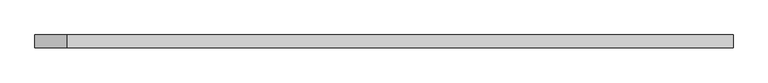
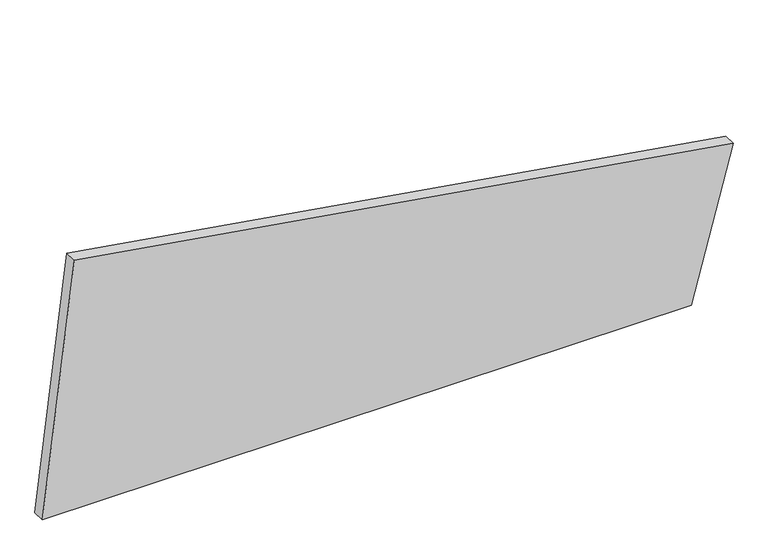
"""IFC4 building model written with IfcOpenShell, lengths in millimetres: plate geometry."""

from ifc_helpers import new_model, si_unit, frame, origin, place, context, project, spatial, polyline, outline, extrude, source, transform, mapped, element, save


def plate_572a9db4(model_context):
    return source(origin(), model_context, "Body", "SweptSolid", [
        extrude(outline(polyline([(0.0, -673.7058366), (0.0, 592.0410175), (304.7772542, 673.7058366), (513.3001298, -611.2310855), (0.0, -673.7058366)])), frame((0.0, 24.5, 0.0), z_axis=(0.0, 1.0, 0.0), x_axis=(0.0, 0.0, 1.0)), (0.0, 0.0, 1.0), 25.0),
    ])


if __name__ == "__main__":
    model = new_model("IFC4")
    model_context = context("Model", 3, world=origin())
    ifc_project = project(units=[si_unit("LENGTHUNIT", "METRE", prefix="MILLI")], contexts=[model_context])
    site = spatial("IfcSite", under=ifc_project)
    building = spatial("IfcBuilding", under=site)
    placement = place(None, origin())
    plate_shape = plate_572a9db4(model_context)
    element("IfcPlate", 1, at=placement, inside=building, context=model_context, shape_type="MappedRepresentation", body=[
        mapped(plate_shape, transform((0.0, 0.0, 0.0), x_axis=(1.0, 0.0, 0.0), y_axis=(0.0, 1.0, 0.0), z_axis=(0.0, 0.0, 1.0))),
    ])
    save(model, "model.ifc")
